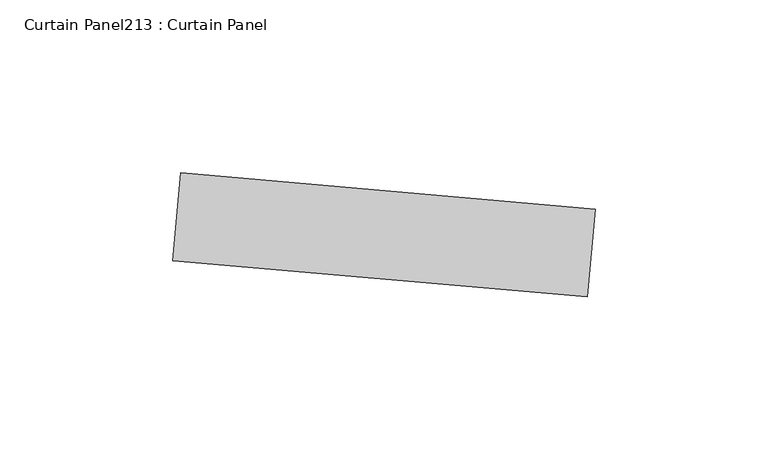
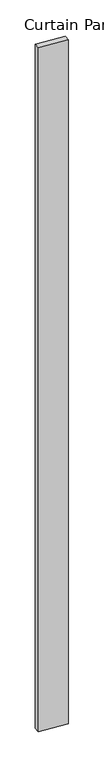
"""IFC4 building model written with IfcOpenShell, lengths in millimetres: plate geometry, Curtain Panel213 : Curtain Panel."""

from ifc_helpers import new_model, si_unit, frame, origin, place, context, project, spatial, polyline, outline, extrude, source, transform, mapped, element, save


def curtain_panel213_curtain_panel_c768b1df(model_context):
    return source(origin(), model_context, "Body", "SweptSolid", [
        extrude(outline(polyline([(622124.7459981, 2468.0396935), (622244.527844, 2457.5601399), (622242.3140881, 2432.2567945), (622122.5322422, 2442.7363482), (622124.7459981, 2468.0396935)])), frame((0.0, 0.0, 4959.7989371), z_axis=(0.0, 0.0, 1.0), x_axis=(1.0, 0.0, 0.0)), (0.0, 0.0, 1.0), 3048.0),
    ])


if __name__ == "__main__":
    model = new_model("IFC4")
    model_context = context("Model", 3, world=origin())
    ifc_project = project(units=[si_unit("LENGTHUNIT", "METRE", prefix="MILLI")], contexts=[model_context])
    site = spatial("IfcSite", under=ifc_project)
    building = spatial("IfcBuilding", under=site)
    placement = place(None, origin())
    curtain_panel213_curtain_panel_shape = curtain_panel213_curtain_panel_c768b1df(model_context)
    element("IfcPlate", 1, ObjectType="Curtain Panel213 : Curtain Panel", at=placement, inside=building, context=model_context, shape_type="MappedRepresentation", body=[
        mapped(curtain_panel213_curtain_panel_shape, transform((0.0, 0.0, 0.0), x_axis=(1.0, 0.0, 0.0), y_axis=(0.0, 1.0, 0.0), z_axis=(0.0, 0.0, 1.0))),
    ])
    save(model, "model.ifc")
